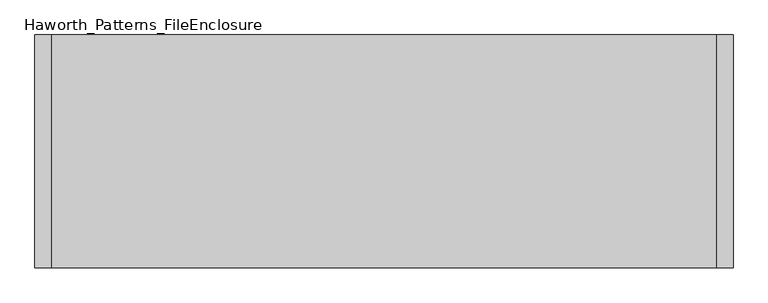
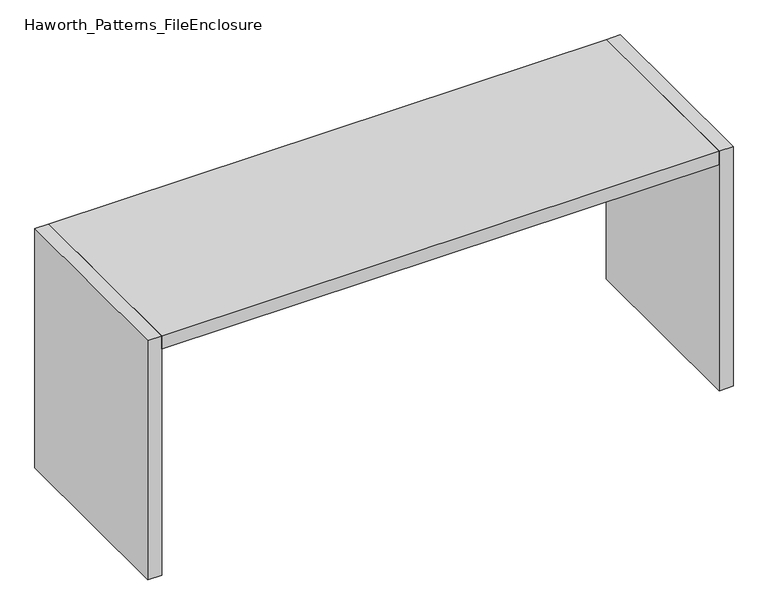
"""IFC4 building model written with IfcOpenShell, lengths in millimetres: furniture geometry, Haworth_Patterns_FileEnclosure."""

from ifc_helpers import new_model, si_unit, frame, origin, origin_with_axes, place, context, project, spatial, polyline, outline, extrude, source, transform, mapped, element, save


def haworth_patterns_fileenclosure_a381600c(model_context):
    return source(origin(), model_context, "Body", "SweptSolid", [
        extrude(outline(polyline([(1524.0, 0.0), (1524.0, -1066.8), (-1524.0, -1066.8), (-1524.0, 0.0), (1524.0, 0.0)])), frame((0.0, 0.0, 1308.1), z_axis=(0.0, 0.0, 1.0), x_axis=(1.0, 0.0, 0.0)), (0.0, 0.0, 1.0), 76.2),
        extrude(outline(polyline([(1524.0, 0.0), (1600.2, 0.0), (1600.2, -1066.8), (1524.0, -1066.8), (1524.0, 0.0)])), origin_with_axes(), (0.0, 0.0, 1.0), 1384.3),
        extrude(outline(polyline([(-1524.0, 0.0), (-1524.0, -1066.8), (-1600.2, -1066.8), (-1600.2, 0.0), (-1524.0, 0.0)])), origin_with_axes(), (0.0, 0.0, 1.0), 1384.3),
    ])


if __name__ == "__main__":
    model = new_model("IFC4")
    model_context = context("Model", 3, world=origin())
    ifc_project = project(units=[si_unit("LENGTHUNIT", "METRE", prefix="MILLI")], contexts=[model_context])
    site = spatial("IfcSite", under=ifc_project)
    building = spatial("IfcBuilding", under=site)
    placement = place(None, origin())
    haworth_patterns_fileenclosure_shape = haworth_patterns_fileenclosure_a381600c(model_context)
    element("IfcFurniture", 1, ObjectType="Haworth_Patterns_FileEnclosure", at=placement, inside=building, context=model_context, shape_type="MappedRepresentation", body=[
        mapped(haworth_patterns_fileenclosure_shape, transform((0.0, 0.0, 0.0), x_axis=(1.0, 0.0, 0.0), y_axis=(0.0, 1.0, 0.0), z_axis=(0.0, 0.0, 1.0))),
    ])
    save(model, "model.ifc")
